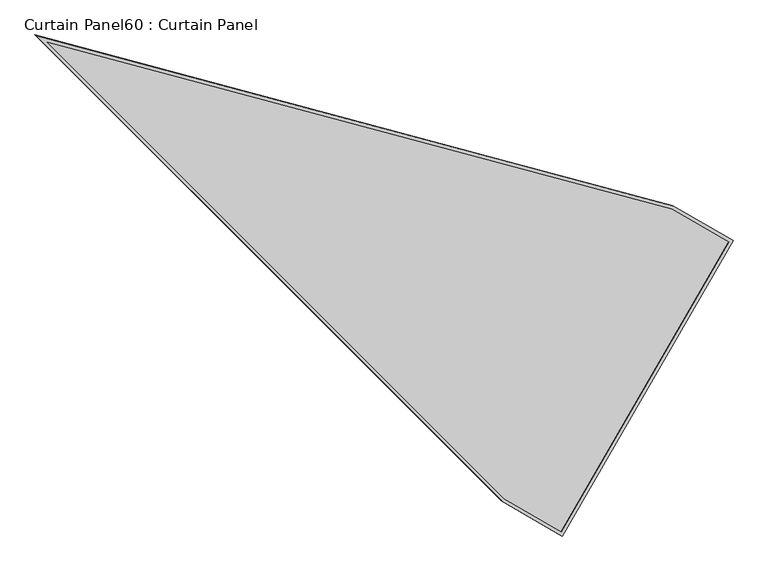
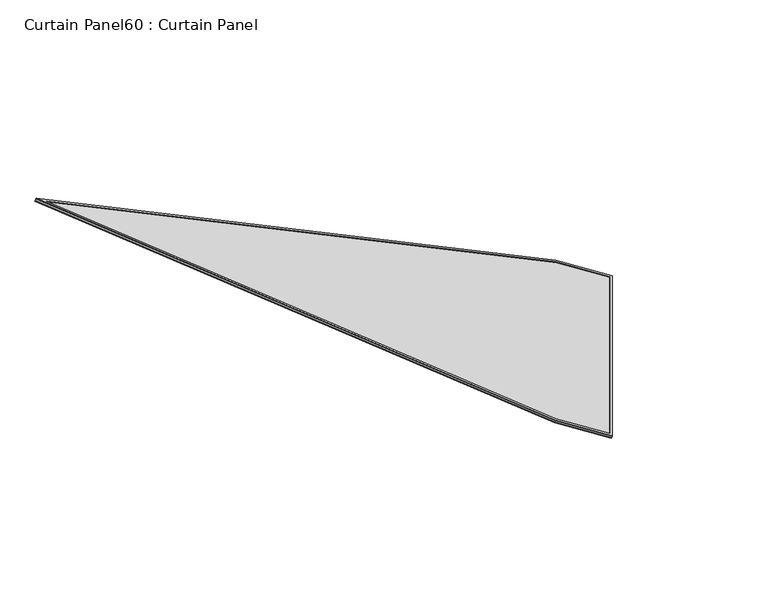
"""IFC4 building model written with IfcOpenShell, lengths in millimetres: plate geometry, Curtain Panel60 : Curtain Panel."""

import ifcopenshell
import ifcopenshell.guid

model = None  # the IFC model being written
_history = None  # IfcOwnerHistory: only IFC2X3 demands one
_inside = {}  # id of a spatial element -> (the spatial element, [elements in it])
_under = {}  # id of a project, library or spatial element -> (it, [spatial elements below it])
_declared = {}  # id of a project -> (the project, [libraries it declares])
_typed = {}  # id of a type object -> (the type object, [elements of that type])
_made_of = {}  # id of a material, layer set ... -> (it, [elements and type objects made of it])


def new_model(schema):
    """Start an empty IFC model of exactly this schema.

    Asked for "IFC4X3", IfcOpenShell would pick the latest addendum, in which some entities
    have other attributes; the version numbers below select the first issue.
    IFC2X3 requires an IfcOwnerHistory on every rooted entity: one is made here for all.
    """
    global model, _history
    if schema == "IFC4X3":
        model = ifcopenshell.file(schema_version=(4, 3, 0, 0))
    else:
        model = ifcopenshell.file(schema=schema)
    _inside.clear()
    _under.clear()
    _declared.clear()
    _typed.clear()
    _made_of.clear()
    _history = None
    if model.schema == "IFC2X3":
        org = make("IfcOrganization", Name="unknown")
        user = make(
            "IfcPersonAndOrganization",
            ThePerson=make("IfcPerson", FamilyName="unknown"),
            TheOrganization=org,
        )
        app = make(
            "IfcApplication",
            ApplicationDeveloper=org,
            Version="unknown",
            ApplicationFullName="unknown",
            ApplicationIdentifier="unknown",
        )
        _history = make(
            "IfcOwnerHistory",
            OwningUser=user,
            OwningApplication=app,
            ChangeAction="ADDED",
            CreationDate=0,
        )
    return model


def make(cls, **values):
    """One entity of the class cls with the attributes given. An attribute that is None is left unset."""
    return model.create_entity(
        cls, **{name: value for name, value in values.items() if value is not None}
    )


def rooted(cls, **values):
    """An entity with a GlobalId (a new one), such as an element, a storey or a relation."""
    return make(cls, GlobalId=ifcopenshell.guid.new(), OwnerHistory=_history, **values)


def si_unit(unit_type, name, prefix=None):
    """IfcSIUnit, for example si_unit("LENGTHUNIT", "METRE", prefix="MILLI")."""
    return make("IfcSIUnit", UnitType=unit_type, Prefix=prefix, Name=name)


def assignment(units):
    """IfcUnitAssignment: the units of a project."""
    return None if units is None else make("IfcUnitAssignment", Units=units)


def point(xyz):
    """IfcCartesianPoint."""
    return None if xyz is None else make("IfcCartesianPoint", Coordinates=xyz)


def direction(xyz):
    """IfcDirection."""
    return None if xyz is None else make("IfcDirection", DirectionRatios=xyz)


def frame(location, z_axis=None, x_axis=None):
    """IfcAxis2Placement3D, a coordinate frame: its origin and axes. An axis left out is left unset."""
    return make(
        "IfcAxis2Placement3D",
        Location=point(location),
        Axis=direction(z_axis),
        RefDirection=direction(x_axis),
    )


def origin():
    """The frame at (0, 0, 0) with its axes left unset."""
    return frame((0.0, 0.0, 0.0))


def place(relative_to, where):
    """IfcLocalPlacement: puts the frame where relative to a parent placement (None: the world)."""
    return make(
        "IfcLocalPlacement", PlacementRelTo=relative_to, RelativePlacement=where
    )


def context(
    kind, dimensions, precision=None, world=None, true_north=None, identifier=None
):
    """IfcGeometricRepresentationContext, for example the 3D "Model" context."""
    return make(
        "IfcGeometricRepresentationContext",
        ContextIdentifier=identifier,
        ContextType=kind,
        CoordinateSpaceDimension=dimensions,
        Precision=precision,
        WorldCoordinateSystem=world,
        TrueNorth=true_north,
    )


def project(units=None, contexts=None):
    """IfcProject with its units and contexts."""
    return rooted(
        "IfcProject",
        Name="project",
        RepresentationContexts=contexts,
        UnitsInContext=assignment(units),
    )


def spatial(cls, under=None, at=None, **own):
    """A site, building, storey or space (cls), placed at a placement, below another one or the project."""
    s = rooted(cls, ObjectPlacement=at, **own)
    if under is not None:
        _under.setdefault(under.id(), (under, []))[1].append(s)
    return s


def polyline(points):
    """IfcPolyline through the points."""
    return make("IfcPolyline", Points=[point(p) for p in points])


def outline(outer, holes=None, kind="AREA"):
    """IfcArbitraryClosedProfileDef: a profile drawn as a closed curve; with holes, ...WithVoids."""
    if holes is None:
        return make("IfcArbitraryClosedProfileDef", ProfileType=kind, OuterCurve=outer)
    return make(
        "IfcArbitraryProfileDefWithVoids",
        ProfileType=kind,
        OuterCurve=outer,
        InnerCurves=holes,
    )


def extrude(swept, where, along, depth):
    """IfcExtrudedAreaSolid: the profile swept, set in the frame where, extruded along a direction by depth."""
    return make(
        "IfcExtrudedAreaSolid",
        SweptArea=swept,
        Position=where,
        ExtrudedDirection=direction(along),
        Depth=depth,
    )


def shape(context_of_items, identifier, shape_type, items):
    """IfcShapeRepresentation: the items that make up one representation, for example the "Body"."""
    return make(
        "IfcShapeRepresentation",
        ContextOfItems=context_of_items,
        RepresentationIdentifier=identifier,
        RepresentationType=shape_type,
        Items=items,
    )


def source(mapping_origin, context_of_items, identifier, shape_type, items):
    """IfcRepresentationMap: a shape defined once, which mapped items show again and again."""
    return make(
        "IfcRepresentationMap",
        MappingOrigin=mapping_origin,
        MappedRepresentation=shape(context_of_items, identifier, shape_type, items),
    )


def transform(
    local_origin,
    x_axis=None,
    y_axis=None,
    z_axis=None,
    scale=None,
    scale2=None,
    scale3=None,
    uniform=True,
):
    """IfcCartesianTransformationOperator3D, or its non-uniform kind. x_axis, y_axis, z_axis: its Axis1, 2, 3."""
    if uniform:
        return make(
            "IfcCartesianTransformationOperator3D",
            Axis1=direction(x_axis),
            Axis2=direction(y_axis),
            LocalOrigin=point(local_origin),
            Scale=scale,
            Axis3=direction(z_axis),
        )
    return make(
        "IfcCartesianTransformationOperator3DnonUniform",
        Axis1=direction(x_axis),
        Axis2=direction(y_axis),
        LocalOrigin=point(local_origin),
        Scale=scale,
        Axis3=direction(z_axis),
        Scale2=scale2,
        Scale3=scale3,
    )


def mapped(mapping_source, mapping_target):
    """IfcMappedItem: shows the shape of a source again, moved by a transform."""
    return make(
        "IfcMappedItem", MappingSource=mapping_source, MappingTarget=mapping_target
    )


def made_of(thing, what):
    """Note that an element or type object is made of a material, layer set ...; save() writes the relation."""
    if what is not None:
        _made_of.setdefault(what.id(), (what, []))[1].append(thing)
    return thing


def element(
    cls,
    number,
    at=None,
    inside=None,
    cuts=None,
    type_object=None,
    material=None,
    context=None,
    identifier="Body",
    shape_type=None,
    held_by="IfcProductDefinitionShape",
    body=None,
    shapes=None,
    **own,
):
    """One element of the class cls, such as IfcWall. Its Tag is "e" and its number.

    at: its placement. inside: the storey or other place that contains it. cuts: it is an
    opening in that element (IfcRelVoidsElement). A single representation is given by context,
    identifier, shape_type and body (its items); several are given by shapes. held_by: the class
    of the entity that holds the representations. save() writes the other relations.
    """
    e = rooted(cls, Tag="e%d" % number, ObjectPlacement=at, **own)
    if body is not None:
        shapes = [shape(context, identifier, shape_type, body)]
    if shapes is not None:
        e.Representation = make(held_by, Representations=shapes)
    if inside is not None:
        _inside.setdefault(inside.id(), (inside, []))[1].append(e)
    if cuts is not None:
        rooted(
            "IfcRelVoidsElement", RelatingBuildingElement=cuts, RelatedOpeningElement=e
        )
    if type_object is not None:
        _typed.setdefault(type_object.id(), (type_object, []))[1].append(e)
    return made_of(e, material)


def aggregate(whole, parts):
    """IfcRelAggregates: a whole, such as a stair, and the parts it consists of."""
    return rooted("IfcRelAggregates", RelatingObject=whole, RelatedObjects=parts)


def save(model, path):
    """Write the relations noted so far, then the file.

    IfcRelAggregates (storeys below a building ...), IfcRelContainedInSpatialStructure (elements
    in a storey), IfcRelDefinesByType, IfcRelAssociatesMaterial and IfcRelDeclares: one each for
    every whole, place, type object, material and project.
    """
    for whole, parts in _under.values():
        aggregate(whole, parts)
    for where, things in _inside.values():
        rooted(
            "IfcRelContainedInSpatialStructure",
            RelatedElements=things,
            RelatingStructure=where,
        )
    for kind, things in _typed.values():
        rooted("IfcRelDefinesByType", RelatedObjects=things, RelatingType=kind)
    for what, things in _made_of.values():
        rooted("IfcRelAssociatesMaterial", RelatedObjects=things, RelatingMaterial=what)
    for by, libraries in _declared.values():
        rooted("IfcRelDeclares", RelatingContext=by, RelatedDefinitions=libraries)
    model.write(path)


def curtain_panel60_curtain_panel_8d029f9c(model_context):
    return source(origin(), model_context, "Body", "SweptSolid", [
        extrude(outline(polyline([(847.4221259, -3696.0699362), (1e-07, -362.4691502), (0.0, 0.0), (1694.8442517, -1e-07), (1694.8442517, -362.4691503), (847.4221259, -3696.0699362)]), holes=[polyline([(1678.1814538, -16.6627979), (16.662798, -16.6627979), (16.662798, -360.3844088), (847.4221259, -3628.436852), (1678.1814538, -360.3844088), (1678.1814538, -16.6627979)])]), frame((15793.9549025, 289.963029, 1929.9342405), z_axis=(0.2737903148616793, -0.15807291198690598, 0.9487106081329134), x_axis=(-0.5000000000000064, -0.866025403784435, 0.0)), (0.0, 0.0, 1.0), 4.8339674),
        extrude(outline(polyline([(847.4221258, -3696.0699362), (0.0, -362.4691502), (0.0, 0.0), (1694.8442516, 0.0), (1694.8442516, -362.4691502), (847.4221258, -3696.0699362)]), holes=[polyline([(1684.5314537, -10.3127979), (10.3127979, -10.3127979), (10.3127979, -361.1788798), (847.4221258, -3654.21104), (1684.5314538, -361.1788797), (1684.5314537, -10.3127979)])]), frame((15789.1294062, 292.7490305, 1913.2134171), z_axis=(0.27379031486168676, -0.15807291198691034, 0.9487106081329106), x_axis=(-0.5000000000000066, -0.8660254037844349, 0.0)), (0.0, 0.0, 1.0), 4.7767329),
        extrude(outline(polyline([(12.7000001, 0.0), (1707.5442516, 0.0), (1707.5442517, -362.4691502), (860.1221259, -3696.0699362), (12.7, -362.4691502), (12.7000001, 0.0)])), frame((15796.7872294, 302.9924811, 1917.7451542), z_axis=(0.27379031486167693, -0.15807291198690485, 0.9487106081329144), x_axis=(-0.5000000000000069, -0.8660254037844347, 0.0)), (0.0, 0.0, 1.0), 12.8480552),
    ])


if __name__ == "__main__":
    model = new_model("IFC4")
    model_context = context("Model", 3, world=origin())
    ifc_project = project(units=[si_unit("LENGTHUNIT", "METRE", prefix="MILLI")], contexts=[model_context])
    site = spatial("IfcSite", under=ifc_project)
    building = spatial("IfcBuilding", under=site)
    placement = place(None, origin())
    curtain_panel60_curtain_panel_shape = curtain_panel60_curtain_panel_8d029f9c(model_context)
    element("IfcPlate", 1, ObjectType="Curtain Panel60 : Curtain Panel", at=placement, inside=building, context=model_context, shape_type="MappedRepresentation", body=[
        mapped(curtain_panel60_curtain_panel_shape, transform((0.0, 0.0, 0.0), x_axis=(1.0, 0.0, 0.0), y_axis=(0.0, 1.0, 0.0), z_axis=(0.0, 0.0, 1.0))),
    ])
    save(model, "model.ifc")
